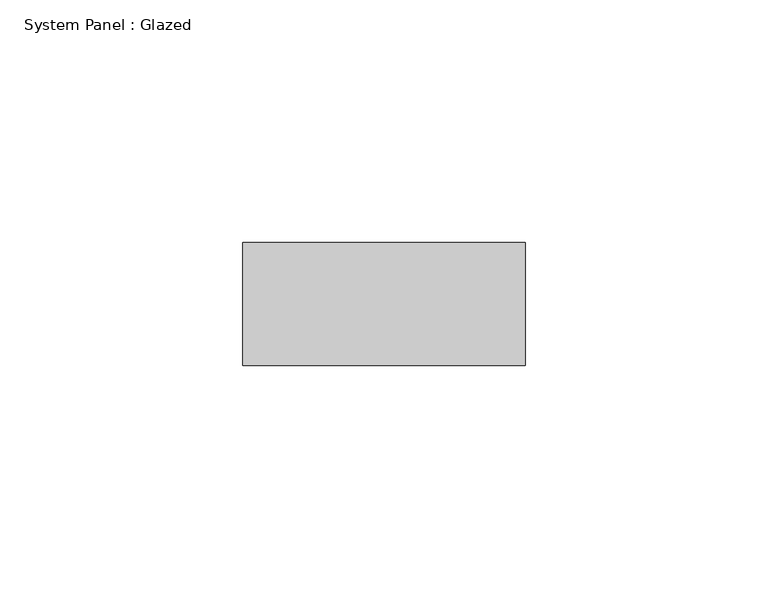
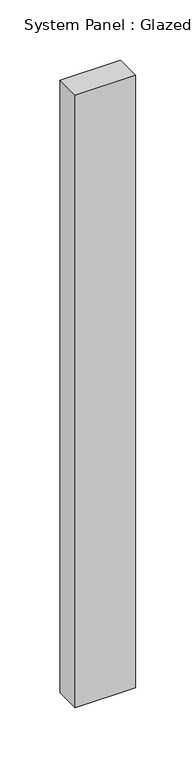
"""IFC4 building model written with IfcOpenShell, lengths in millimetres: plate geometry, System Panel : Glazed."""

from ifc_helpers import new_model, si_unit, origin, origin_with_axes, place, context, project, spatial, polyline, outline, extrude, source, transform, mapped, element, save


def system_panel_glazed_343d1a2f(model_context):
    return source(origin(), model_context, "Body", "SweptSolid", [
        extrude(outline(polyline([(29.1136342, 19.05), (-29.1136342, 19.05), (-29.1136342, 44.45), (29.1136342, 44.45), (29.1136342, 19.05)])), origin_with_axes(), (0.0, 0.0, 1.0), 622.3),
    ])


if __name__ == "__main__":
    model = new_model("IFC4")
    model_context = context("Model", 3, world=origin())
    ifc_project = project(units=[si_unit("LENGTHUNIT", "METRE", prefix="MILLI")], contexts=[model_context])
    site = spatial("IfcSite", under=ifc_project)
    building = spatial("IfcBuilding", under=site)
    placement = place(None, origin())
    system_panel_glazed_shape = system_panel_glazed_343d1a2f(model_context)
    element("IfcPlate", 1, ObjectType="System Panel : Glazed", at=placement, inside=building, context=model_context, shape_type="MappedRepresentation", body=[
        mapped(system_panel_glazed_shape, transform((0.0, 0.0, 0.0), x_axis=(1.0, 0.0, 0.0), y_axis=(0.0, 1.0, 0.0), z_axis=(0.0, 0.0, 1.0))),
    ])
    save(model, "model.ifc")
